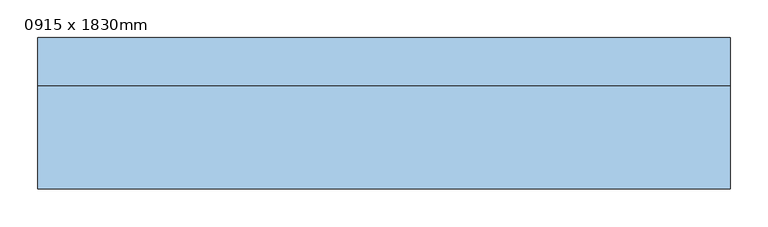
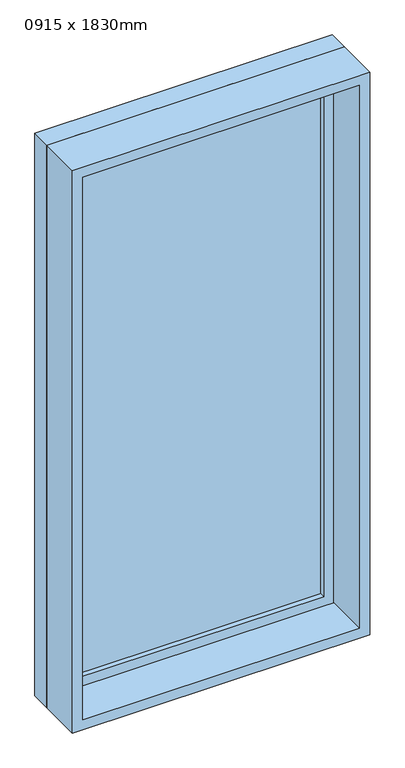
"""IFC4 building model written with IfcOpenShell, lengths in millimetres: window geometry, 0915 x 1830mm."""

from ifc_helpers import new_model, si_unit, frame, origin, place, context, project, spatial, polyline, outline, extrude, source, transform, mapped, element, save


def window_0915_x_1830mm_5d6e8bc1(model_context):
    return source(origin(), model_context, "Body", "SweptSolid", [
        extrude(outline(polyline([(-394.5, 78.0), (394.5, 78.0), (394.5, 66.0), (-394.5, 66.0), (-394.5, 78.0)])), frame((0.0, 0.0, 368.0), z_axis=(0.0, 0.0, 1.0), x_axis=(1.0, 0.0, 0.0)), (0.0, 0.0, 1.0), 1704.0),
        extrude(outline(polyline([(2116.0, -438.5), (324.0, -438.5), (324.0, 438.5), (2116.0, 438.5), (2116.0, -438.5)]), holes=[polyline([(2072.0, -394.5), (2072.0, 394.5), (368.0, 394.5), (368.0, -394.5), (2072.0, -394.5)])]), frame((0.0, 50.0, 0.0), z_axis=(0.0, 1.0, 0.0), x_axis=(0.0, 0.0, 1.0)), (0.0, 0.0, 1.0), 44.0),
        extrude(outline(polyline([(2135.0, -457.5), (305.0, -457.5), (305.0, 457.5), (2135.0, 457.5), (2135.0, -457.5)]), holes=[polyline([(2116.0, -438.5), (2116.0, 438.5), (324.0, 438.5), (324.0, -438.5), (2116.0, -438.5)])]), frame((0.0, 50.0, 0.0), z_axis=(0.0, 1.0, 0.0), x_axis=(0.0, 0.0, 1.0)), (0.0, 0.0, 1.0), 63.0),
        extrude(outline(polyline([(2135.0, -457.5), (305.0, -457.5), (305.0, 457.5), (2135.0, 457.5), (2135.0, -457.5)]), holes=[polyline([(2103.0, -425.5), (2103.0, 425.5), (337.0, 425.5), (337.0, -425.5), (2103.0, -425.5)])]), frame((0.0, -87.0, 0.0), z_axis=(0.0, 1.0, 0.0), x_axis=(0.0, 0.0, 1.0)), (0.0, 0.0, 1.0), 137.0),
    ])


if __name__ == "__main__":
    model = new_model("IFC4")
    model_context = context("Model", 3, world=origin())
    ifc_project = project(units=[si_unit("LENGTHUNIT", "METRE", prefix="MILLI")], contexts=[model_context])
    site = spatial("IfcSite", under=ifc_project)
    building = spatial("IfcBuilding", under=site)
    placement = place(None, origin())
    window_0915_x_1830mm_shape = window_0915_x_1830mm_5d6e8bc1(model_context)
    element("IfcWindow", 1, ObjectType="0915 x 1830mm", at=placement, inside=building, context=model_context, shape_type="MappedRepresentation", body=[
        mapped(window_0915_x_1830mm_shape, transform((0.0, 0.0, 0.0), x_axis=(1.0, 0.0, 0.0), y_axis=(0.0, 1.0, 0.0), z_axis=(0.0, 0.0, 1.0))),
    ])
    save(model, "model.ifc")
